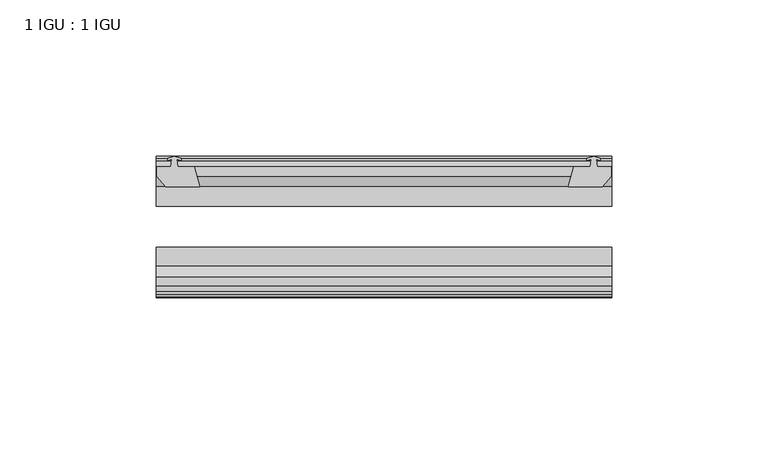
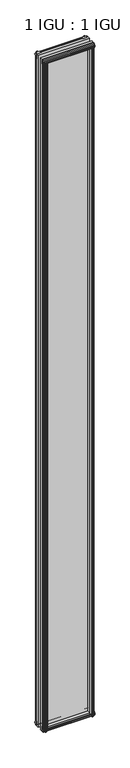
"""IFC4 building model written with IfcOpenShell, lengths in millimetres: plate geometry, 1 IGU : 1 IGU."""

from ifc_helpers import new_model, si_unit, frame, origin, place, context, project, spatial, polyline, outline, extrude, source, transform, mapped, element, save


def plate_1_igu_1_igu_00c20b58(model_context):
    return source(origin(), model_context, "Body", "SweptSolid", [
        extrude(outline(polyline([(64.9755119, -10.4746158), (67.1530409, -9.7670937), (69.33057, -10.4746158), (69.33057, -11.27583), (67.9150409, -10.8158968), (68.2960409, -13.1960937), (72.7410409, -13.1960937), (72.7410409, -16.1424937), (69.9066987, -19.5460937), (59.0853228, -19.5460937), (60.8030409, -13.1960937), (66.0100409, -13.1960937), (66.3910409, -10.8158968), (64.9755119, -11.27583), (64.9755119, -10.4746158)])), frame((0.0, 0.0, -12.4587), z_axis=(0.0, 0.0, 1.0), x_axis=(1.0, 0.0, 0.0)), (0.0, 0.0, 1.0), 2018.8174),
        extrude(outline(polyline([(-67.1530409, -9.7670937), (-64.9755119, -10.4746158), (-64.9755119, -11.27583), (-66.3910409, -10.8158968), (-66.0100409, -13.1960937), (-60.8030409, -13.1960937), (-59.0853228, -19.5460937), (-69.9066987, -19.5460937), (-72.7410409, -16.1424937), (-72.7410409, -13.1960937), (-68.2960409, -13.1960937), (-67.9150409, -10.8158968), (-69.33057, -11.27583), (-69.33057, -10.4746158), (-67.1530409, -9.7670937)])), frame((0.0, 0.0, -12.4587), z_axis=(0.0, 0.0, 1.0), x_axis=(1.0, 0.0, 0.0)), (0.0, 0.0, 1.0), 2018.8174),
        extrude(outline(polyline([(58.5679248, -44.9460937), (69.3893007, -44.9460938), (72.2236429, -48.3496937), (72.2236429, -51.2960937), (67.7786429, -51.2960937), (67.3976429, -53.6762907), (68.8131719, -53.2163575), (68.8131719, -54.0175717), (66.6356429, -54.7250937), (64.4581138, -54.0175717), (64.4581138, -53.2163575), (65.8736429, -53.6762907), (65.4926429, -51.2960937), (60.2856429, -51.2960937), (58.5679248, -44.9460937)])), frame((0.0, 0.0, -12.4587), z_axis=(0.0, 0.0, 1.0), x_axis=(1.0, 0.0, 0.0)), (0.0, 0.0, 1.0), 2006.1174),
        extrude(outline(polyline([(-58.5646228, -44.9460937), (-60.2823409, -51.2960937), (-65.4893409, -51.2960937), (-65.8703409, -53.6762907), (-64.4548119, -53.2163575), (-64.4548119, -54.0175717), (-66.6323409, -54.7250937), (-68.80987, -54.0175717), (-68.80987, -53.2163575), (-67.3943409, -53.6762907), (-67.7753409, -51.2960937), (-72.2203409, -51.2960937), (-72.2203409, -48.3496937), (-69.3859987, -44.9460937), (-58.5646228, -44.9460937)])), frame((0.0, 0.0, -12.4587), z_axis=(0.0, 0.0, 1.0), x_axis=(1.0, 0.0, 0.0)), (0.0, 0.0, 1.0), 2006.1174),
        extrude(outline(polyline([(-10.4746158, -4.6931709), (-9.7670937, -6.8707), (-10.4746158, -9.0482291), (-11.27583, -9.0482291), (-10.8158968, -7.6327), (-13.1960937, -8.0137), (-13.1960937, -12.4587), (-16.1424937, -12.4587), (-19.5460937, -9.6243578), (-19.5460937, 1.1970181), (-13.1960937, -0.5207), (-13.1960937, -5.7277), (-10.8158968, -6.1087), (-11.27583, -4.6931709), (-10.4746158, -4.6931709)])), frame((-72.9823409, 0.0, 0.0), z_axis=(1.0, 0.0, 0.0), x_axis=(0.0, 1.0, 0.0)), (0.0, 0.0, 1.0), 145.9646818),
        extrude(outline(polyline([(-44.9460937, 1.7177181), (-44.9460937, -9.1036578), (-48.3496937, -11.938), (-51.2960937, -11.938), (-51.2960937, -7.493), (-53.6762907, -7.112), (-53.2163575, -8.5275291), (-54.0175717, -8.5275291), (-54.7250937, -6.35), (-54.0175717, -4.1724709), (-53.2163575, -4.1724709), (-53.6762907, -5.588), (-51.2960937, -5.207), (-51.2960937, 0.0), (-44.9460937, 1.7177181)])), frame((-72.9823409, 0.0, 0.0), z_axis=(1.0, 0.0, 0.0), x_axis=(0.0, 1.0, 0.0)), (0.0, 0.0, 1.0), 145.9646818),
        extrude(outline(polyline([(-10.8158968, 2001.5327), (-11.27583, 2002.9482291), (-10.4746158, 2002.9482291), (-9.7670937, 2000.7707), (-10.4746158, 1998.5931709), (-11.27583, 1998.5931709), (-10.8158968, 2000.0087), (-13.1960937, 1999.6277), (-13.1960937, 1994.4207), (-19.5460938, 1992.7029819), (-19.5460938, 2003.5243578), (-16.1424937, 2006.3587), (-13.1960937, 2006.3587), (-13.1960937, 2001.9137), (-10.8158968, 2001.5327)])), frame((-72.9823409, 0.0, 0.0), z_axis=(1.0, 0.0, 0.0), x_axis=(0.0, 1.0, 0.0)), (0.0, 0.0, 1.0), 145.9646818),
        extrude(outline(polyline([(-51.2960937, 2005.838), (-48.3496937, 2005.838), (-44.9460938, 2003.0036578), (-44.9460938, 1992.1822819), (-51.2960937, 1993.9), (-51.2960937, 1999.107), (-53.6762907, 1999.488), (-53.2163575, 1998.0724709), (-54.0175717, 1998.0724709), (-54.7250937, 2000.25), (-54.0175717, 2002.4275291), (-53.2163575, 2002.4275291), (-53.6762907, 2001.012), (-51.2960937, 2001.393), (-51.2960937, 2005.838)])), frame((-72.9823409, 0.0, 0.0), z_axis=(1.0, 0.0, 0.0), x_axis=(0.0, 1.0, 0.0)), (0.0, 0.0, 1.0), 145.9646818),
        extrude(outline(polyline([(-72.9823409, -38.9186738), (72.9823409, -38.9186738), (72.9823409, -44.9460937), (-72.9823409, -44.9460937), (-72.9823409, -38.9186738)])), frame((0.0, 0.0, -12.7), z_axis=(0.0, 0.0, 1.0), x_axis=(1.0, 0.0, 0.0)), (0.0, 0.0, 1.0), 2019.3),
        extrude(outline(polyline([(-72.9823409, -19.5460937), (72.9823409, -19.5460937), (72.9823409, -25.8960938), (-72.9823409, -25.8960938), (-72.9823409, -19.5460937)])), frame((0.0, 0.0, -12.7), z_axis=(0.0, 0.0, 1.0), x_axis=(1.0, 0.0, 0.0)), (0.0, 0.0, 1.0), 2019.3),
    ])


if __name__ == "__main__":
    model = new_model("IFC4")
    model_context = context("Model", 3, world=origin())
    ifc_project = project(units=[si_unit("LENGTHUNIT", "METRE", prefix="MILLI")], contexts=[model_context])
    site = spatial("IfcSite", under=ifc_project)
    building = spatial("IfcBuilding", under=site)
    placement = place(None, origin())
    plate_1_igu_1_igu_shape = plate_1_igu_1_igu_00c20b58(model_context)
    element("IfcPlate", 1, ObjectType="1 IGU : 1 IGU", at=placement, inside=building, context=model_context, shape_type="MappedRepresentation", body=[
        mapped(plate_1_igu_1_igu_shape, transform((0.0, 0.0, 0.0), x_axis=(1.0, 0.0, 0.0), y_axis=(0.0, 1.0, 0.0), z_axis=(0.0, 0.0, 1.0))),
    ])
    save(model, "model.ifc")
